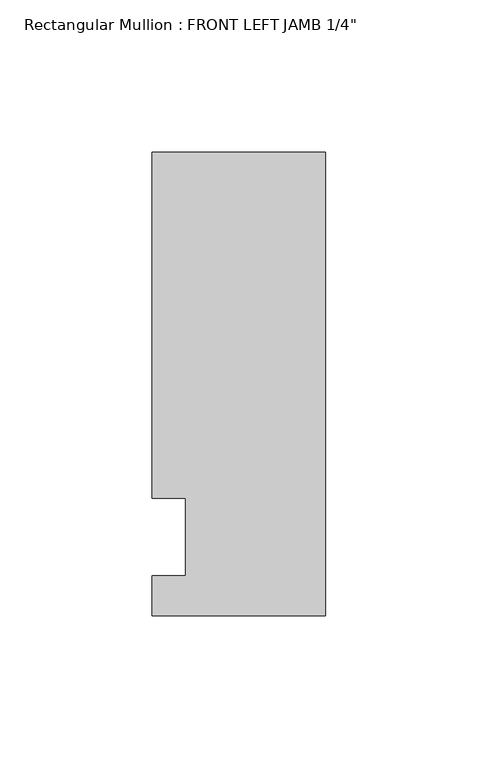
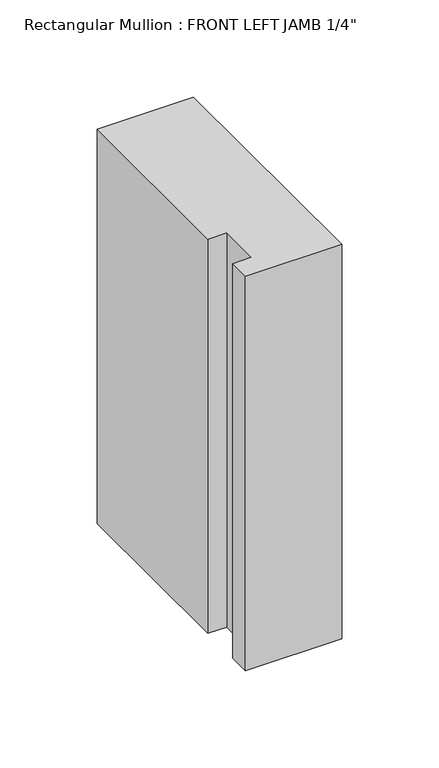
"""IFC4 building model written with IfcOpenShell, lengths in millimetres: member geometry."""

from ifc_helpers import new_model, si_unit, frame, origin, place, context, project, spatial, polyline, outline, extrude, source, transform, mapped, element, save


def member_285f7b8a(model_context):
    return source(origin(), model_context, "Body", "SweptSolid", [
        extrude(outline(polyline([(-57.15, -32.2460937), (-57.15, -19.0507937), (-46.0375, -19.0507937), (-46.0375, 6.3492063), (-57.15, 6.3492063), (-57.15, 120.1539063), (0.0, 120.1539062), (0.0, -32.2460938), (-57.15, -32.2460937)])), frame((0.0, 0.0, -247.65), z_axis=(0.0, 0.0, 1.0), x_axis=(1.0, 0.0, 0.0)), (0.0, 0.0, 1.0), 247.65),
    ])


if __name__ == "__main__":
    model = new_model("IFC4")
    model_context = context("Model", 3, world=origin())
    ifc_project = project(units=[si_unit("LENGTHUNIT", "METRE", prefix="MILLI")], contexts=[model_context])
    site = spatial("IfcSite", under=ifc_project)
    building = spatial("IfcBuilding", under=site)
    placement = place(None, origin())
    member_shape = member_285f7b8a(model_context)
    element("IfcMember", 1, ObjectType="Rectangular Mullion : FRONT LEFT JAMB 1/4\"", at=placement, inside=building, context=model_context, shape_type="MappedRepresentation", body=[
        mapped(member_shape, transform((0.0, 0.0, 0.0), x_axis=(1.0, 0.0, 0.0), y_axis=(0.0, 1.0, 0.0), z_axis=(0.0, 0.0, 1.0))),
    ])
    save(model, "model.ifc")
